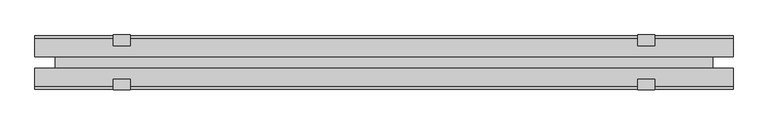
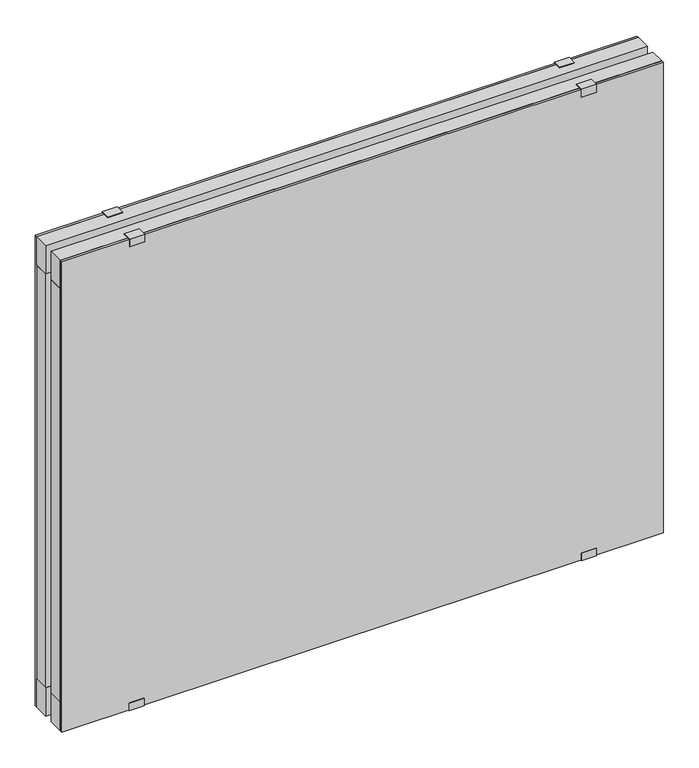
"""IFC4 building model written with IfcOpenShell, lengths in millimetres: plate geometry."""

import ifcopenshell
import ifcopenshell.guid

model = None  # the IFC model being written
_history = None  # IfcOwnerHistory: only IFC2X3 demands one
_inside = {}  # id of a spatial element -> (the spatial element, [elements in it])
_under = {}  # id of a project, library or spatial element -> (it, [spatial elements below it])
_declared = {}  # id of a project -> (the project, [libraries it declares])
_typed = {}  # id of a type object -> (the type object, [elements of that type])
_made_of = {}  # id of a material, layer set ... -> (it, [elements and type objects made of it])


def new_model(schema):
    """Start an empty IFC model of exactly this schema.

    Asked for "IFC4X3", IfcOpenShell would pick the latest addendum, in which some entities
    have other attributes; the version numbers below select the first issue.
    IFC2X3 requires an IfcOwnerHistory on every rooted entity: one is made here for all.
    """
    global model, _history
    if schema == "IFC4X3":
        model = ifcopenshell.file(schema_version=(4, 3, 0, 0))
    else:
        model = ifcopenshell.file(schema=schema)
    _inside.clear()
    _under.clear()
    _declared.clear()
    _typed.clear()
    _made_of.clear()
    _history = None
    if model.schema == "IFC2X3":
        org = make("IfcOrganization", Name="unknown")
        user = make(
            "IfcPersonAndOrganization",
            ThePerson=make("IfcPerson", FamilyName="unknown"),
            TheOrganization=org,
        )
        app = make(
            "IfcApplication",
            ApplicationDeveloper=org,
            Version="unknown",
            ApplicationFullName="unknown",
            ApplicationIdentifier="unknown",
        )
        _history = make(
            "IfcOwnerHistory",
            OwningUser=user,
            OwningApplication=app,
            ChangeAction="ADDED",
            CreationDate=0,
        )
    return model


def make(cls, **values):
    """One entity of the class cls with the attributes given. An attribute that is None is left unset."""
    return model.create_entity(
        cls, **{name: value for name, value in values.items() if value is not None}
    )


def rooted(cls, **values):
    """An entity with a GlobalId (a new one), such as an element, a storey or a relation."""
    return make(cls, GlobalId=ifcopenshell.guid.new(), OwnerHistory=_history, **values)


def si_unit(unit_type, name, prefix=None):
    """IfcSIUnit, for example si_unit("LENGTHUNIT", "METRE", prefix="MILLI")."""
    return make("IfcSIUnit", UnitType=unit_type, Prefix=prefix, Name=name)


def assignment(units):
    """IfcUnitAssignment: the units of a project."""
    return None if units is None else make("IfcUnitAssignment", Units=units)


def point(xyz):
    """IfcCartesianPoint."""
    return None if xyz is None else make("IfcCartesianPoint", Coordinates=xyz)


def direction(xyz):
    """IfcDirection."""
    return None if xyz is None else make("IfcDirection", DirectionRatios=xyz)


def frame(location, z_axis=None, x_axis=None):
    """IfcAxis2Placement3D, a coordinate frame: its origin and axes. An axis left out is left unset."""
    return make(
        "IfcAxis2Placement3D",
        Location=point(location),
        Axis=direction(z_axis),
        RefDirection=direction(x_axis),
    )


def origin():
    """The frame at (0, 0, 0) with its axes left unset."""
    return frame((0.0, 0.0, 0.0))


def origin_with_axes():
    """The frame at (0, 0, 0) with the z axis (0, 0, 1) and the x axis (1, 0, 0) written out."""
    return frame((0.0, 0.0, 0.0), z_axis=(0.0, 0.0, 1.0), x_axis=(1.0, 0.0, 0.0))


def place(relative_to, where):
    """IfcLocalPlacement: puts the frame where relative to a parent placement (None: the world)."""
    return make(
        "IfcLocalPlacement", PlacementRelTo=relative_to, RelativePlacement=where
    )


def context(
    kind, dimensions, precision=None, world=None, true_north=None, identifier=None
):
    """IfcGeometricRepresentationContext, for example the 3D "Model" context."""
    return make(
        "IfcGeometricRepresentationContext",
        ContextIdentifier=identifier,
        ContextType=kind,
        CoordinateSpaceDimension=dimensions,
        Precision=precision,
        WorldCoordinateSystem=world,
        TrueNorth=true_north,
    )


def project(units=None, contexts=None):
    """IfcProject with its units and contexts."""
    return rooted(
        "IfcProject",
        Name="project",
        RepresentationContexts=contexts,
        UnitsInContext=assignment(units),
    )


def spatial(cls, under=None, at=None, **own):
    """A site, building, storey or space (cls), placed at a placement, below another one or the project."""
    s = rooted(cls, ObjectPlacement=at, **own)
    if under is not None:
        _under.setdefault(under.id(), (under, []))[1].append(s)
    return s


def polyline(points):
    """IfcPolyline through the points."""
    return make("IfcPolyline", Points=[point(p) for p in points])


def outline(outer, holes=None, kind="AREA"):
    """IfcArbitraryClosedProfileDef: a profile drawn as a closed curve; with holes, ...WithVoids."""
    if holes is None:
        return make("IfcArbitraryClosedProfileDef", ProfileType=kind, OuterCurve=outer)
    return make(
        "IfcArbitraryProfileDefWithVoids",
        ProfileType=kind,
        OuterCurve=outer,
        InnerCurves=holes,
    )


def extrude(swept, where, along, depth):
    """IfcExtrudedAreaSolid: the profile swept, set in the frame where, extruded along a direction by depth."""
    return make(
        "IfcExtrudedAreaSolid",
        SweptArea=swept,
        Position=where,
        ExtrudedDirection=direction(along),
        Depth=depth,
    )


def shape(context_of_items, identifier, shape_type, items):
    """IfcShapeRepresentation: the items that make up one representation, for example the "Body"."""
    return make(
        "IfcShapeRepresentation",
        ContextOfItems=context_of_items,
        RepresentationIdentifier=identifier,
        RepresentationType=shape_type,
        Items=items,
    )


def source(mapping_origin, context_of_items, identifier, shape_type, items):
    """IfcRepresentationMap: a shape defined once, which mapped items show again and again."""
    return make(
        "IfcRepresentationMap",
        MappingOrigin=mapping_origin,
        MappedRepresentation=shape(context_of_items, identifier, shape_type, items),
    )


def transform(
    local_origin,
    x_axis=None,
    y_axis=None,
    z_axis=None,
    scale=None,
    scale2=None,
    scale3=None,
    uniform=True,
):
    """IfcCartesianTransformationOperator3D, or its non-uniform kind. x_axis, y_axis, z_axis: its Axis1, 2, 3."""
    if uniform:
        return make(
            "IfcCartesianTransformationOperator3D",
            Axis1=direction(x_axis),
            Axis2=direction(y_axis),
            LocalOrigin=point(local_origin),
            Scale=scale,
            Axis3=direction(z_axis),
        )
    return make(
        "IfcCartesianTransformationOperator3DnonUniform",
        Axis1=direction(x_axis),
        Axis2=direction(y_axis),
        LocalOrigin=point(local_origin),
        Scale=scale,
        Axis3=direction(z_axis),
        Scale2=scale2,
        Scale3=scale3,
    )


def mapped(mapping_source, mapping_target):
    """IfcMappedItem: shows the shape of a source again, moved by a transform."""
    return make(
        "IfcMappedItem", MappingSource=mapping_source, MappingTarget=mapping_target
    )


def made_of(thing, what):
    """Note that an element or type object is made of a material, layer set ...; save() writes the relation."""
    if what is not None:
        _made_of.setdefault(what.id(), (what, []))[1].append(thing)
    return thing


def element(
    cls,
    number,
    at=None,
    inside=None,
    cuts=None,
    type_object=None,
    material=None,
    context=None,
    identifier="Body",
    shape_type=None,
    held_by="IfcProductDefinitionShape",
    body=None,
    shapes=None,
    **own,
):
    """One element of the class cls, such as IfcWall. Its Tag is "e" and its number.

    at: its placement. inside: the storey or other place that contains it. cuts: it is an
    opening in that element (IfcRelVoidsElement). A single representation is given by context,
    identifier, shape_type and body (its items); several are given by shapes. held_by: the class
    of the entity that holds the representations. save() writes the other relations.
    """
    e = rooted(cls, Tag="e%d" % number, ObjectPlacement=at, **own)
    if body is not None:
        shapes = [shape(context, identifier, shape_type, body)]
    if shapes is not None:
        e.Representation = make(held_by, Representations=shapes)
    if inside is not None:
        _inside.setdefault(inside.id(), (inside, []))[1].append(e)
    if cuts is not None:
        rooted(
            "IfcRelVoidsElement", RelatingBuildingElement=cuts, RelatedOpeningElement=e
        )
    if type_object is not None:
        _typed.setdefault(type_object.id(), (type_object, []))[1].append(e)
    return made_of(e, material)


def aggregate(whole, parts):
    """IfcRelAggregates: a whole, such as a stair, and the parts it consists of."""
    return rooted("IfcRelAggregates", RelatingObject=whole, RelatedObjects=parts)


def save(model, path):
    """Write the relations noted so far, then the file.

    IfcRelAggregates (storeys below a building ...), IfcRelContainedInSpatialStructure (elements
    in a storey), IfcRelDefinesByType, IfcRelAssociatesMaterial and IfcRelDeclares: one each for
    every whole, place, type object, material and project.
    """
    for whole, parts in _under.values():
        aggregate(whole, parts)
    for where, things in _inside.values():
        rooted(
            "IfcRelContainedInSpatialStructure",
            RelatedElements=things,
            RelatingStructure=where,
        )
    for kind, things in _typed.values():
        rooted("IfcRelDefinesByType", RelatedObjects=things, RelatingType=kind)
    for what, things in _made_of.values():
        rooted("IfcRelAssociatesMaterial", RelatedObjects=things, RelatingMaterial=what)
    for by, libraries in _declared.values():
        rooted("IfcRelDeclares", RelatingContext=by, RelatedDefinitions=libraries)
    model.write(path)


def plate_eca7c3ed(model_context):
    return source(origin(), model_context, "Body", "SweptSolid", [
        extrude(outline(polyline([(603.3750001, -10.0), (603.3750001, -41.0), (-603.3750001, -41.0), (-603.3750001, -10.0), (603.3750001, -10.0)])), origin_with_axes(), (0.0, 0.0, 1.0), 60.0),
        extrude(outline(polyline([(603.3750001, 41.0), (603.3750001, 10.0), (-603.3750001, 10.0), (-603.3750001, 41.0), (603.3750001, 41.0)])), origin_with_axes(), (0.0, 0.0, 1.0), 60.0),
        extrude(outline(polyline([(603.3750001, -10.0), (603.3750001, -41.0), (-603.3750001, -41.0), (-603.3750001, -10.0), (603.3750001, -10.0)])), frame((0.0, 0.0, 937.0), z_axis=(0.0, 0.0, 1.0), x_axis=(1.0, 0.0, 0.0)), (0.0, 0.0, 1.0), 60.0),
        extrude(outline(polyline([(603.3750001, 41.0), (603.3750001, 10.0), (-603.3750001, 10.0), (-603.3750001, 41.0), (603.3750001, 41.0)])), frame((0.0, 0.0, 937.0), z_axis=(0.0, 0.0, 1.0), x_axis=(1.0, 0.0, 0.0)), (0.0, 0.0, 1.0), 60.0),
        extrude(outline(polyline([(567.8750001, -10.0), (-567.8750001, -10.0), (-567.8750001, 10.0), (567.8750001, 10.0), (567.8750001, -10.0)])), frame((0.0, 0.0, 28.0), z_axis=(0.0, 0.0, 1.0), x_axis=(1.0, 0.0, 0.0)), (0.0, 0.0, 1.0), 941.0),
        extrude(outline(polyline([(603.3750001, 41.0), (-603.3750001, 41.0), (-603.3750001, 46.0), (603.3750001, 46.0), (603.3750001, 41.0)])), origin_with_axes(), (0.0, 0.0, 1.0), 997.0),
        extrude(outline(polyline([(-603.3750001, -46.0), (-603.3750001, -41.0), (603.3750001, -41.0), (603.3750001, -46.0), (-603.3750001, -46.0)])), origin_with_axes(), (0.0, 0.0, 1.0), 997.0),
        extrude(outline(polyline([(543.6119275, -10.0), (603.3750001, -10.0), (603.3750001, -41.0), (564.1183344, -41.0), (543.6119275, -13.4129412), (543.6119275, -10.0)])), frame((0.0, 0.0, 60.0), z_axis=(0.0, 0.0, 1.0), x_axis=(1.0, 0.0, 0.0)), (0.0, 0.0, 1.0), 877.0),
        extrude(outline(polyline([(543.6119275, 10.0), (543.6119275, 13.4129412), (564.1183344, 41.0), (603.3750001, 41.0), (603.3750001, 10.0), (543.6119275, 10.0)])), frame((0.0, 0.0, 60.0), z_axis=(0.0, 0.0, 1.0), x_axis=(1.0, 0.0, 0.0)), (0.0, 0.0, 1.0), 877.0),
        extrude(outline(polyline([(-543.6119275, -10.0), (-543.6119275, -13.4129412), (-564.1183344, -41.0), (-603.3750001, -41.0), (-603.3750001, -10.0), (-543.6119275, -10.0)])), frame((0.0, 0.0, 60.0), z_axis=(0.0, 0.0, 1.0), x_axis=(1.0, 0.0, 0.0)), (0.0, 0.0, 1.0), 877.0),
        extrude(outline(polyline([(-543.6119275, 10.0), (-603.3750001, 10.0), (-603.3750001, 41.0), (-564.1183344, 41.0), (-543.6119275, 13.4129412), (-543.6119275, 10.0)])), frame((0.0, 0.0, 60.0), z_axis=(0.0, 0.0, 1.0), x_axis=(1.0, 0.0, 0.0)), (0.0, 0.0, 1.0), 877.0),
        extrude(outline(polyline([(-47.5, 998.5), (-29.0, 998.5), (-29.0, 997.0), (-46.0, 997.0), (-46.0, 982.0), (-47.5, 982.0), (-47.5, 998.5)])), frame((-468.3750001, 0.0, 0.0), z_axis=(1.0, 0.0, 0.0), x_axis=(0.0, 1.0, 0.0)), (0.0, 0.0, 1.0), 30.0),
        extrude(outline(polyline([(47.5, 982.0), (46.0, 982.0), (46.0, 997.0), (29.0, 997.0), (29.0, 998.5), (47.5, 998.5), (47.5, 982.0)])), frame((-468.3750001, 0.0, 0.0), z_axis=(1.0, 0.0, 0.0), x_axis=(0.0, 1.0, 0.0)), (0.0, 0.0, 1.0), 30.0),
        extrude(outline(polyline([(-47.1, 15.0), (-46.0, 15.0), (-46.0, 0.0), (-31.0, 0.0), (-31.0, -1.2), (-47.1, -1.2), (-47.1, 15.0)])), frame((-468.3750001, 0.0, 0.0), z_axis=(1.0, 0.0, 0.0), x_axis=(0.0, 1.0, 0.0)), (0.0, 0.0, 1.0), 30.0),
        extrude(outline(polyline([(47.1, -1.2), (31.0, -1.2), (31.0, 0.0), (46.0, 0.0), (46.0, 15.0), (47.1, 15.0), (47.1, -1.2)])), frame((-468.3750001, 0.0, 0.0), z_axis=(1.0, 0.0, 0.0), x_axis=(0.0, 1.0, 0.0)), (0.0, 0.0, 1.0), 30.0),
        extrude(outline(polyline([(-47.5, 998.5), (-29.0, 998.5), (-29.0, 997.0), (-46.0, 997.0), (-46.0, 982.0), (-47.5, 982.0), (-47.5, 998.5)])), frame((438.3750001, 0.0, 0.0), z_axis=(1.0, 0.0, 0.0), x_axis=(0.0, 1.0, 0.0)), (0.0, 0.0, 1.0), 30.0),
        extrude(outline(polyline([(29.0, 998.5), (47.5, 998.5), (47.5, 982.0), (46.0, 982.0), (46.0, 997.0), (29.0, 997.0), (29.0, 998.5)])), frame((438.3750001, 0.0, 0.0), z_axis=(1.0, 0.0, 0.0), x_axis=(0.0, 1.0, 0.0)), (0.0, 0.0, 1.0), 30.0),
        extrude(outline(polyline([(-47.1, 15.0), (-46.0, 15.0), (-46.0, 0.0), (-31.0, 0.0), (-31.0, -1.2), (-47.1, -1.2), (-47.1, 15.0)])), frame((438.3750001, 0.0, 0.0), z_axis=(1.0, 0.0, 0.0), x_axis=(0.0, 1.0, 0.0)), (0.0, 0.0, 1.0), 30.0),
        extrude(outline(polyline([(47.1, -1.2), (31.0, -1.2), (31.0, 0.0), (46.0, 0.0), (46.0, 15.0), (47.1, 15.0), (47.1, -1.2)])), frame((438.3750001, 0.0, 0.0), z_axis=(1.0, 0.0, 0.0), x_axis=(0.0, 1.0, 0.0)), (0.0, 0.0, 1.0), 30.0),
    ])


if __name__ == "__main__":
    model = new_model("IFC4")
    model_context = context("Model", 3, world=origin())
    ifc_project = project(units=[si_unit("LENGTHUNIT", "METRE", prefix="MILLI")], contexts=[model_context])
    site = spatial("IfcSite", under=ifc_project)
    building = spatial("IfcBuilding", under=site)
    placement = place(None, origin())
    plate_shape = plate_eca7c3ed(model_context)
    element("IfcPlate", 1, at=placement, inside=building, context=model_context, shape_type="MappedRepresentation", body=[
        mapped(plate_shape, transform((0.0, 0.0, 0.0), x_axis=(1.0, 0.0, 0.0), y_axis=(0.0, 1.0, 0.0), z_axis=(0.0, 0.0, 1.0))),
    ])
    save(model, "model.ifc")
